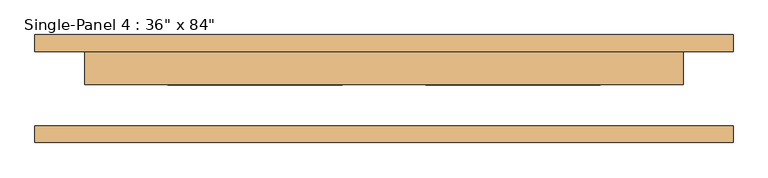
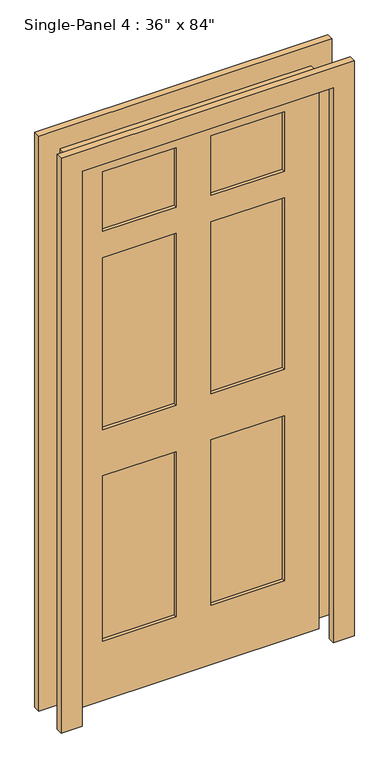
"""IFC4 building model written with IfcOpenShell, lengths in millimetres: door geometry."""

from ifc_helpers import new_model, si_unit, frame, origin, place, context, project, spatial, polyline, outline, extrude, source, transform, mapped, element, save


def door_07ed881b(model_context):
    return source(origin(), model_context, "Body", "SweptSolid", [
        extrude(outline(polyline([(0.0, -533.4), (0.0, -457.2), (2133.6, -457.2), (2133.6, 457.2), (0.0, 457.2), (0.0, 533.4), (2209.8, 533.4), (2209.8, -533.4), (0.0, -533.4)])), frame((0.0, -82.55, 0.0), z_axis=(0.0, 1.0, 0.0), x_axis=(0.0, 0.0, 1.0)), (0.0, 0.0, 1.0), 25.4),
        extrude(outline(polyline([(0.0, 533.4), (2209.8, 533.4), (2209.8, -533.4), (0.0, -533.4), (0.0, -457.2), (2133.6, -457.2), (2133.6, 457.2), (0.0, 457.2), (0.0, 533.4)])), frame((0.0, 57.15, 0.0), z_axis=(0.0, 1.0, 0.0), x_axis=(0.0, 0.0, 1.0)), (0.0, 0.0, 1.0), 25.4),
        extrude(outline(polyline([(-63.5, 19.05), (-330.2, 19.05), (-330.2, 44.45), (-63.5, 44.45), (-63.5, 19.05)])), frame((0.0, 0.0, 1803.4), z_axis=(0.0, 0.0, 1.0), x_axis=(1.0, 0.0, 0.0)), (0.0, 0.0, 1.0), 228.6),
        extrude(outline(polyline([(330.2, 19.05), (63.5, 19.05), (63.5, 44.45), (330.2, 44.45), (330.2, 19.05)])), frame((0.0, 0.0, 1803.4), z_axis=(0.0, 0.0, 1.0), x_axis=(1.0, 0.0, 0.0)), (0.0, 0.0, 1.0), 228.6),
        extrude(outline(polyline([(-63.5, 19.05), (-330.2, 19.05), (-330.2, 44.45), (-63.5, 44.45), (-63.5, 19.05)])), frame((0.0, 0.0, 1041.4), z_axis=(0.0, 0.0, 1.0), x_axis=(1.0, 0.0, 0.0)), (0.0, 0.0, 1.0), 660.4),
        extrude(outline(polyline([(330.2, 19.05), (63.5, 19.05), (63.5, 44.45), (330.2, 44.45), (330.2, 19.05)])), frame((0.0, 0.0, 1041.4), z_axis=(0.0, 0.0, 1.0), x_axis=(1.0, 0.0, 0.0)), (0.0, 0.0, 1.0), 660.4),
        extrude(outline(polyline([(-63.5, 19.05), (-330.2, 19.05), (-330.2, 44.45), (-63.5, 44.45), (-63.5, 19.05)])), frame((0.0, 0.0, 228.6), z_axis=(0.0, 0.0, 1.0), x_axis=(1.0, 0.0, 0.0)), (0.0, 0.0, 1.0), 635.0),
        extrude(outline(polyline([(330.2, 19.05), (63.5, 19.05), (63.5, 44.45), (330.2, 44.45), (330.2, 19.05)])), frame((0.0, 0.0, 228.6), z_axis=(0.0, 0.0, 1.0), x_axis=(1.0, 0.0, 0.0)), (0.0, 0.0, 1.0), 635.0),
        extrude(outline(polyline([(2133.6, 457.2), (2133.6, -457.2), (0.0, -457.2), (0.0, 457.2), (2133.6, 457.2)]), holes=[polyline([(2032.0, -63.5), (1803.4, -63.5), (1803.4, -330.2), (2032.0, -330.2), (2032.0, -63.5)]), polyline([(2032.0, 330.2), (1803.4, 330.2), (1803.4, 63.5), (2032.0, 63.5), (2032.0, 330.2)]), polyline([(1701.8, -63.5), (1041.4, -63.5), (1041.4, -330.2), (1701.8, -330.2), (1701.8, -63.5)]), polyline([(1701.8, 330.2), (1041.4, 330.2), (1041.4, 63.5), (1701.8, 63.5), (1701.8, 330.2)]), polyline([(863.6, -63.5), (228.6, -63.5), (228.6, -330.2), (863.6, -330.2), (863.6, -63.5)]), polyline([(863.6, 330.2), (228.6, 330.2), (228.6, 63.5), (863.6, 63.5), (863.6, 330.2)])]), frame((0.0, 6.35, 0.0), z_axis=(0.0, 1.0, 0.0), x_axis=(0.0, 0.0, 1.0)), (0.0, 0.0, 1.0), 50.8),
    ])


if __name__ == "__main__":
    model = new_model("IFC4")
    model_context = context("Model", 3, world=origin())
    ifc_project = project(units=[si_unit("LENGTHUNIT", "METRE", prefix="MILLI")], contexts=[model_context])
    site = spatial("IfcSite", under=ifc_project)
    building = spatial("IfcBuilding", under=site)
    placement = place(None, origin())
    door_shape = door_07ed881b(model_context)
    element("IfcDoor", 1, ObjectType="Single-Panel 4 : 36\" x 84\"", at=placement, inside=building, context=model_context, shape_type="MappedRepresentation", body=[
        mapped(door_shape, transform((0.0, 0.0, 0.0), x_axis=(1.0, 0.0, 0.0), y_axis=(0.0, 1.0, 0.0), z_axis=(0.0, 0.0, 1.0))),
    ])
    save(model, "model.ifc")
